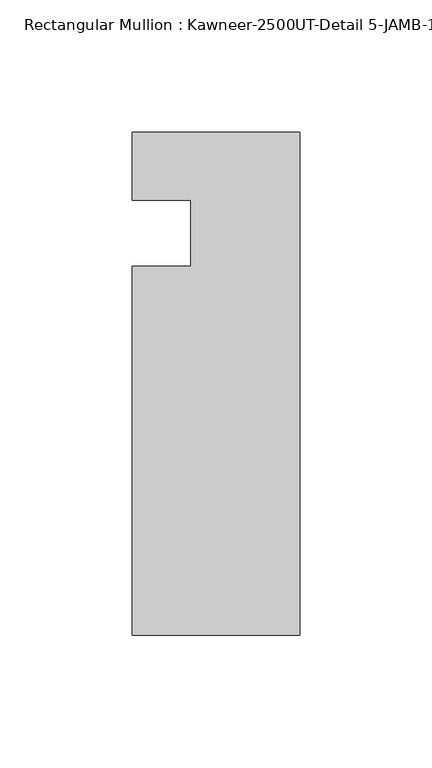
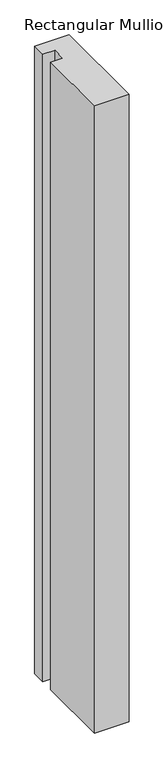
"""IFC4 building model written with IfcOpenShell, lengths in millimetres: member geometry, Rectangular Mullion : Kawneer-2500UT-Detail 5-JAMB-1 INCH INFILL."""

from ifc_helpers import new_model, si_unit, frame, origin, place, context, project, spatial, polyline, outline, extrude, source, transform, mapped, element, save


def rectangular_mullion_kawneer_2500ut_detail_5_jamb_1_inch_6f4aa71a(model_context):
    return source(origin(), model_context, "Body", "SweptSolid", [
        extrude(outline(polyline([(-82.7668749, -165.1096688), (-82.7668749, -25.4096738), (-60.5419882, -25.4096738), (-60.5419882, -0.3273021), (-82.7668749, -0.3273021), (-82.7668749, 25.3903262), (-19.2668749, 25.3903262), (-19.2668749, -165.1096688), (-82.7668749, -165.1096688)])), frame((0.0, 0.0, -1219.2), z_axis=(0.0, 0.0, 1.0), x_axis=(1.0, 0.0, 0.0)), (0.0, 0.0, 1.0), 1219.2),
    ])


if __name__ == "__main__":
    model = new_model("IFC4")
    model_context = context("Model", 3, world=origin())
    ifc_project = project(units=[si_unit("LENGTHUNIT", "METRE", prefix="MILLI")], contexts=[model_context])
    site = spatial("IfcSite", under=ifc_project)
    building = spatial("IfcBuilding", under=site)
    placement = place(None, origin())
    rectangular_mullion_kawneer_2500ut_detail_5_jamb_1_inch_shape = rectangular_mullion_kawneer_2500ut_detail_5_jamb_1_inch_6f4aa71a(model_context)
    element("IfcMember", 1, ObjectType="Rectangular Mullion : Kawneer-2500UT-Detail 5-JAMB-1 INCH INFILL", at=placement, inside=building, context=model_context, shape_type="MappedRepresentation", body=[
        mapped(rectangular_mullion_kawneer_2500ut_detail_5_jamb_1_inch_shape, transform((0.0, 0.0, 0.0), x_axis=(1.0, 0.0, 0.0), y_axis=(0.0, 1.0, 0.0), z_axis=(0.0, 0.0, 1.0))),
    ])
    save(model, "model.ifc")
